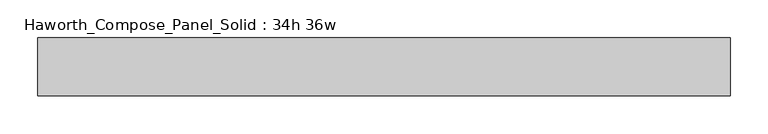
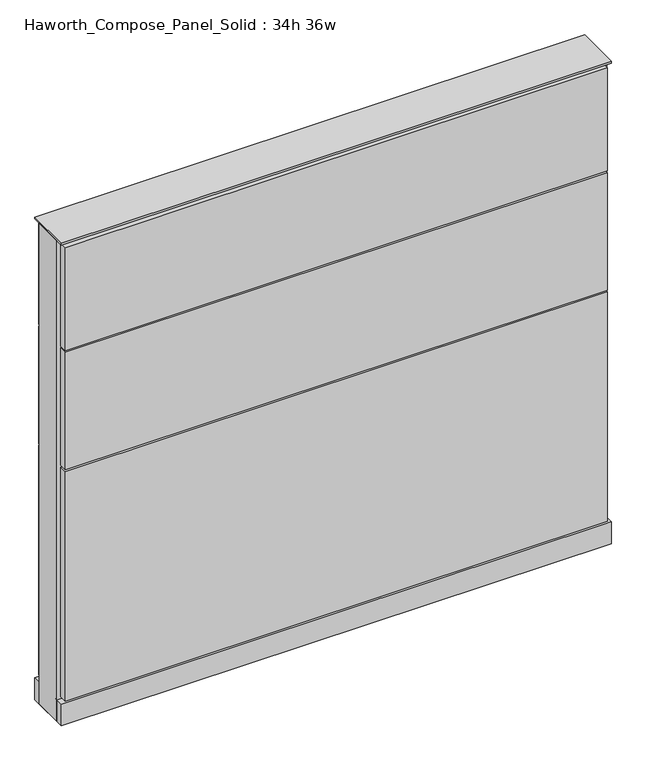
"""IFC4 building model written with IfcOpenShell, lengths in millimetres: furniture geometry, Haworth_Compose_Panel_Solid : 34h 36w."""

from ifc_helpers import new_model, si_unit, point, frame, frame_2d, origin, origin_with_axes, place, context, project, spatial, polyline, circle_curve, trimmed, segment, composite_curve, outline, extrude, source, transform, mapped, element, save


def haworth_compose_panel_solid_34h_36w_4d946216(model_context):
    return source(origin(), model_context, "Body", "SweptSolid", [
        extrude(outline(composite_curve([segment(trimmed(circle_curve(frame_2d((-378.5597098, 0.0)), 12.7), [point((-391.2597098, 0.0))], [point((-365.8597098, 0.0))], False, "CARTESIAN"), True, "CONTINUOUS"), segment(trimmed(circle_curve(frame_2d((-378.5597098, 0.0)), 12.7), [point((-365.8597098, 0.0))], [point((-391.2597098, 0.0))], False, "CARTESIAN"), True, "CONTINUOUS")], self_intersect=False)), origin_with_axes(), (0.0, 0.0, 1.0), 12.7),
        extrude(outline(composite_curve([segment(trimmed(circle_curve(frame_2d((383.4402902, 0.0)), 12.7), [point((370.7402902, 0.0))], [point((396.1402902, 0.0))], False, "CARTESIAN"), True, "CONTINUOUS"), segment(trimmed(circle_curve(frame_2d((383.4402902, 0.0)), 12.7), [point((396.1402902, 0.0))], [point((370.7402902, 0.0))], False, "CARTESIAN"), True, "CONTINUOUS")], self_intersect=False)), origin_with_axes(), (0.0, 0.0, 1.0), 12.7),
        extrude(outline(polyline([(453.2902902, 38.1), (453.2902902, 25.4), (-448.4097098, 25.4), (-448.4097098, 38.1), (453.2902902, 38.1)])), frame((0.0, 0.0, 669.925), z_axis=(0.0, 0.0, 1.0), x_axis=(1.0, 0.0, 0.0)), (0.0, 0.0, 1.0), 180.975),
        extrude(outline(polyline([(453.2902902, 38.1), (453.2902902, 25.4), (-448.4097098, 25.4), (-448.4097098, 38.1), (453.2902902, 38.1)])), frame((0.0, 0.0, 460.375), z_axis=(0.0, 0.0, 1.0), x_axis=(1.0, 0.0, 0.0)), (0.0, 0.0, 1.0), 206.375),
        extrude(outline(polyline([(453.2902902, 38.1), (453.2902902, 25.4), (-448.4097098, 25.4), (-448.4097098, 38.1), (453.2902902, 38.1)])), frame((0.0, 0.0, 53.975), z_axis=(0.0, 0.0, 1.0), x_axis=(1.0, 0.0, 0.0)), (0.0, 0.0, 1.0), 403.225),
        extrude(outline(polyline([(453.2902902, -38.1), (-448.4097098, -38.1), (-448.4097098, -25.4), (453.2902902, -25.4), (453.2902902, -38.1)])), frame((0.0, 0.0, 669.925), z_axis=(0.0, 0.0, 1.0), x_axis=(1.0, 0.0, 0.0)), (0.0, 0.0, 1.0), 180.975),
        extrude(outline(polyline([(453.2902902, -38.1), (-448.4097098, -38.1), (-448.4097098, -25.4), (453.2902902, -25.4), (453.2902902, -38.1)])), frame((0.0, 0.0, 460.375), z_axis=(0.0, 0.0, 1.0), x_axis=(1.0, 0.0, 0.0)), (0.0, 0.0, 1.0), 206.375),
        extrude(outline(polyline([(453.2902902, -38.1), (-448.4097098, -38.1), (-448.4097098, -25.4), (453.2902902, -25.4), (453.2902902, -38.1)])), frame((0.0, 0.0, 53.975), z_axis=(0.0, 0.0, 1.0), x_axis=(1.0, 0.0, 0.0)), (0.0, 0.0, 1.0), 403.225),
        extrude(outline(polyline([(459.6402902, 25.4), (459.6402902, -25.4), (-454.7597098, -25.4), (-454.7597098, 25.4), (459.6402902, 25.4)])), frame((0.0, 0.0, 12.7), z_axis=(0.0, 0.0, 1.0), x_axis=(1.0, 0.0, 0.0)), (0.0, 0.0, 1.0), 844.55),
        extrude(outline(polyline([(-454.7597098, -38.1), (-454.7597098, 38.1), (459.6402902, 38.1), (459.6402902, -38.1), (-454.7597098, -38.1)])), frame((0.0, 0.0, 12.7), z_axis=(0.0, 0.0, 1.0), x_axis=(1.0, 0.0, 0.0)), (0.0, 0.0, 1.0), 38.1),
        extrude(outline(polyline([(-454.7597098, -38.1), (-454.7597098, 38.1), (459.6402902, 38.1), (459.6402902, -38.1), (-454.7597098, -38.1)])), frame((0.0, 0.0, 857.25), z_axis=(0.0, 0.0, 1.0), x_axis=(1.0, 0.0, 0.0)), (0.0, 0.0, 1.0), 3.175),
    ])


if __name__ == "__main__":
    model = new_model("IFC4")
    model_context = context("Model", 3, world=origin())
    ifc_project = project(units=[si_unit("LENGTHUNIT", "METRE", prefix="MILLI")], contexts=[model_context])
    site = spatial("IfcSite", under=ifc_project)
    building = spatial("IfcBuilding", under=site)
    placement = place(None, origin())
    haworth_compose_panel_solid_34h_36w_shape = haworth_compose_panel_solid_34h_36w_4d946216(model_context)
    element("IfcFurniture", 1, ObjectType="Haworth_Compose_Panel_Solid : 34h 36w", at=placement, inside=building, context=model_context, shape_type="MappedRepresentation", body=[
        mapped(haworth_compose_panel_solid_34h_36w_shape, transform((0.0, 0.0, 0.0), x_axis=(1.0, 0.0, 0.0), y_axis=(0.0, 1.0, 0.0), z_axis=(0.0, 0.0, 1.0))),
    ])
    save(model, "model.ifc")
